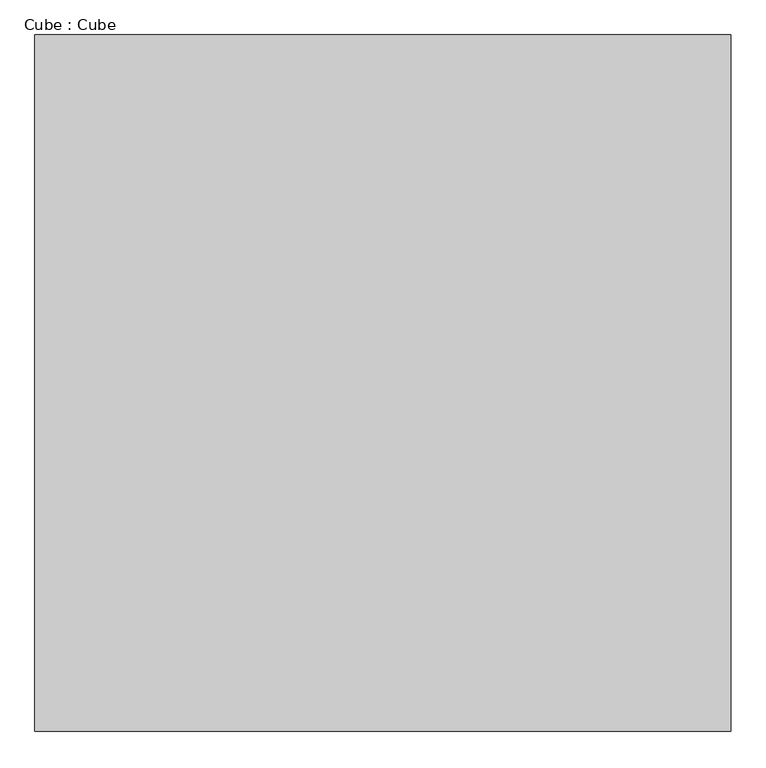
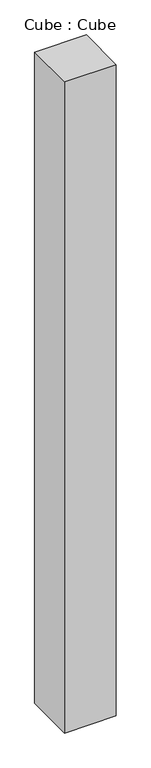
"""IFC4 building model written with IfcOpenShell, lengths in millimetres: proxy geometry, Cube : Cube."""

from ifc_helpers import new_model, si_unit, origin, origin_with_axes, place, context, project, spatial, polyline, outline, extrude, source, transform, mapped, element, save


def cube_cube_c41e5dc4(model_context):
    return source(origin(), model_context, "Body", "SweptSolid", [
        extrude(outline(polyline([(750.0, 750.0), (750.0, -750.0), (-750.0, -750.0), (-750.0, 750.0), (750.0, 750.0)])), origin_with_axes(), (0.0, 0.0, 1.0), 20000.0),
    ])


if __name__ == "__main__":
    model = new_model("IFC4")
    model_context = context("Model", 3, world=origin())
    ifc_project = project(units=[si_unit("LENGTHUNIT", "METRE", prefix="MILLI")], contexts=[model_context])
    site = spatial("IfcSite", under=ifc_project)
    building = spatial("IfcBuilding", under=site)
    placement = place(None, origin())
    cube_cube_shape = cube_cube_c41e5dc4(model_context)
    element("IfcBuildingElementProxy", 1, Name="Cube : Cube", ObjectType="Cube : Cube", at=placement, inside=building, context=model_context, shape_type="MappedRepresentation", body=[
        mapped(cube_cube_shape, transform((0.0, 0.0, 0.0), x_axis=(1.0, 0.0, 0.0), y_axis=(0.0, 1.0, 0.0), z_axis=(0.0, 0.0, 1.0))),
    ])
    save(model, "model.ifc")
